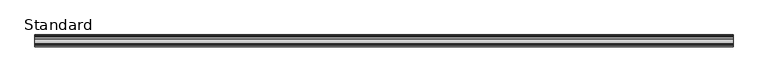
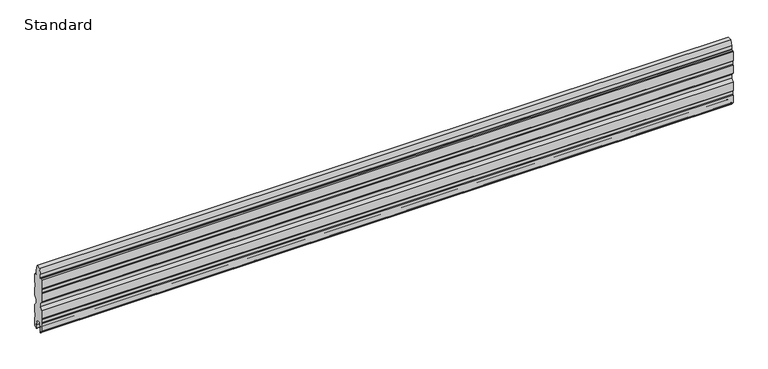
"""IFC4 building model written with IfcOpenShell, lengths in millimetres: plate geometry, Standard."""

from ifc_helpers import new_model, si_unit, point, frame, frame_2d, origin, place, context, project, spatial, polyline, circle_curve, trimmed, segment, composite_curve, outline, extrude, source, transform, mapped, element, save


def standard_b2977181(model_context):
    return source(origin(), model_context, "Body", "SweptSolid", [
        extrude(outline(composite_curve([segment(polyline([(15.0999908, 16.0626976), (9.6833816, 43.1219347), (-9.6816688, 43.1219347), (-15.0982776, 16.0626976), (-15.0982776, 0.5554807)]), True, "CONTINUOUS"), segment(trimmed(circle_curve(frame_2d((-15.6732895, 0.5554807)), 0.575012), [point((-15.0982776, 0.5554807))], [point((-16.2483015, 0.5554807))], False, "CARTESIAN"), True, "CONTINUOUS"), segment(polyline([(-16.2483015, 0.5554807), (-16.2483015, 5.4757702)]), True, "CONTINUOUS"), segment(trimmed(circle_curve(frame_2d((-17.8983016, 5.4757702)), 1.6500001), [point((-16.2483015, 5.4757702))], [point((-17.899556, 7.1257699))], True, "CARTESIAN"), True, "CONTINUOUS"), segment(polyline([(-17.899556, 7.1257699), (-21.1415672, 7.1257699), (-25.4982867, 11.4793403), (-25.4982867, 46.1139758), (-24.2983017, 49.6326621), (-24.2983017, 64.617851), (-25.4982758, 68.1305544), (-25.4982758, 105.1261995), (-14.4982777, 118.127795), (-14.4982777, 134.1386607), (-25.4982758, 147.1075838), (-25.4982758, 183.6225245), (-24.2983489, 187.1273024), (-24.2983489, 202.1115811), (-25.4982758, 205.6226475), (-25.4982758, 244.6529577), (-21.2461114, 248.8684151), (-16.7482777, 248.8684151)]), True, "CONTINUOUS"), segment(trimmed(circle_curve(frame_2d((-16.7482777, 250.5184152)), 1.6500001), [point((-16.7482777, 248.8684151))], [point((-15.0982776, 250.5184152))], True, "CARTESIAN"), True, "CONTINUOUS"), segment(polyline([(-15.0982776, 250.5184152), (-15.0982776, 266.0646942), (-9.6816688, 292.0290511), (9.6833816, 292.0290511), (15.0999908, 266.0646942), (15.0999908, 250.5184152)]), True, "CONTINUOUS"), segment(trimmed(circle_curve(frame_2d((16.7499909, 250.5184152)), 1.6500001), [point((15.0999908, 250.5184152))], [point((16.7499909, 248.8684151))], True, "CARTESIAN"), True, "CONTINUOUS"), segment(polyline([(16.7499909, 248.8684151), (21.2478247, 248.8684151), (25.499989, 244.6529577), (25.499989, 205.6226475), (24.3000622, 202.1115811), (24.3000622, 187.1273024), (25.499989, 183.6225245), (25.499989, 147.1075838), (14.4999909, 134.1386607), (14.4999909, 118.127795), (25.499989, 105.1261995), (25.499989, 68.1305544), (24.3000145, 64.617851), (24.3000145, 49.6326621), (25.5, 46.1139758), (25.5, 11.4793403), (21.1432805, 7.1257699), (17.9000146, 7.1257699)]), True, "CONTINUOUS"), segment(trimmed(circle_curve(frame_2d((17.9000146, 5.47577)), 1.6499999), [point((17.9000146, 7.1257699))], [point((16.2500148, 5.47577))], True, "CARTESIAN"), True, "CONTINUOUS"), segment(polyline([(16.2500148, 5.47577), (16.2500148, 0.575012)]), True, "CONTINUOUS"), segment(trimmed(circle_curve(frame_2d((15.6750028, 0.575012)), 0.575012), [point((16.2500148, 0.575012))], [point((15.0999908, 0.575012))], False, "CARTESIAN"), True, "CONTINUOUS"), segment(polyline([(15.0999908, 0.575012), (15.0999908, 16.0626976)]), True, "CONTINUOUS")], self_intersect=False)), frame((-1498.85, 0.0, 0.0), z_axis=(1.0, 0.0, 0.0), x_axis=(0.0, 1.0, 0.0)), (0.0, 0.0, 1.0), 2997.7),
    ])


if __name__ == "__main__":
    model = new_model("IFC4")
    model_context = context("Model", 3, world=origin())
    ifc_project = project(units=[si_unit("LENGTHUNIT", "METRE", prefix="MILLI")], contexts=[model_context])
    site = spatial("IfcSite", under=ifc_project)
    building = spatial("IfcBuilding", under=site)
    placement = place(None, origin())
    standard_shape = standard_b2977181(model_context)
    element("IfcPlate", 1, ObjectType="Standard", at=placement, inside=building, context=model_context, shape_type="MappedRepresentation", body=[
        mapped(standard_shape, transform((0.0, 0.0, 0.0), x_axis=(1.0, 0.0, 0.0), y_axis=(0.0, 1.0, 0.0), z_axis=(0.0, 0.0, 1.0))),
    ])
    save(model, "model.ifc")
